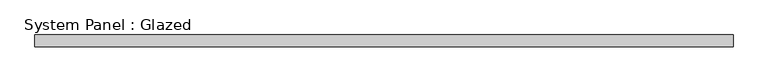
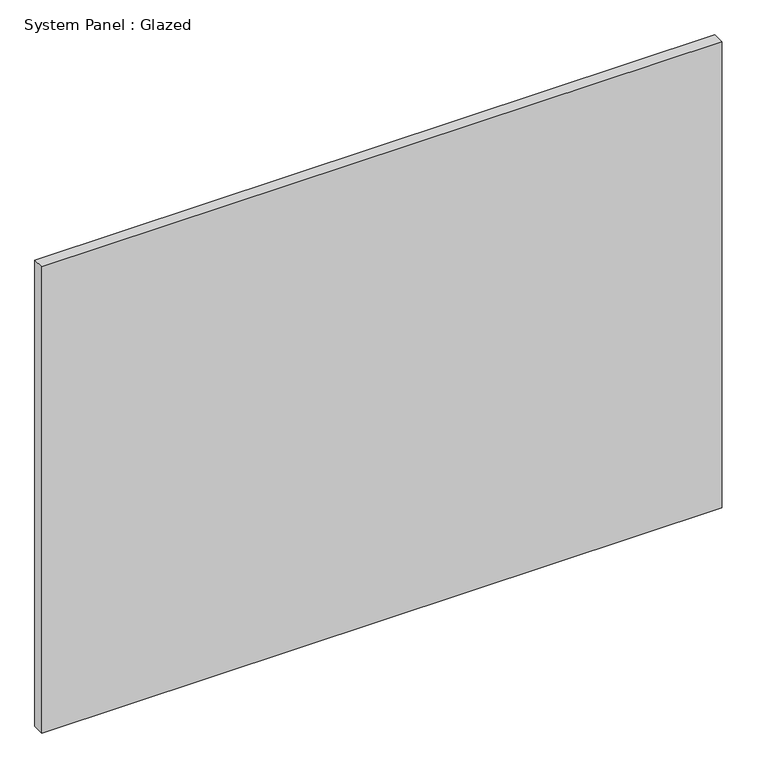
"""IFC4 building model written with IfcOpenShell, lengths in millimetres: plate geometry, System Panel : Glazed."""

from ifc_helpers import new_model, si_unit, origin, origin_with_axes, place, context, project, spatial, polyline, outline, extrude, source, transform, mapped, element, save


def system_panel_glazed_92d0cfbc(model_context):
    return source(origin(), model_context, "Body", "SweptSolid", [
        extrude(outline(polyline([(736.6, -12.7), (-736.6, -12.7), (-736.6, 12.7), (736.6, 12.7), (736.6, -12.7)])), origin_with_axes(), (0.0, 0.0, 1.0), 1066.8),
    ])


if __name__ == "__main__":
    model = new_model("IFC4")
    model_context = context("Model", 3, world=origin())
    ifc_project = project(units=[si_unit("LENGTHUNIT", "METRE", prefix="MILLI")], contexts=[model_context])
    site = spatial("IfcSite", under=ifc_project)
    building = spatial("IfcBuilding", under=site)
    placement = place(None, origin())
    system_panel_glazed_shape = system_panel_glazed_92d0cfbc(model_context)
    element("IfcPlate", 1, ObjectType="System Panel : Glazed", at=placement, inside=building, context=model_context, shape_type="MappedRepresentation", body=[
        mapped(system_panel_glazed_shape, transform((0.0, 0.0, 0.0), x_axis=(1.0, 0.0, 0.0), y_axis=(0.0, 1.0, 0.0), z_axis=(0.0, 0.0, 1.0))),
    ])
    save(model, "model.ifc")
